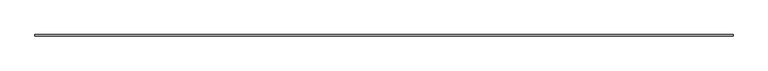
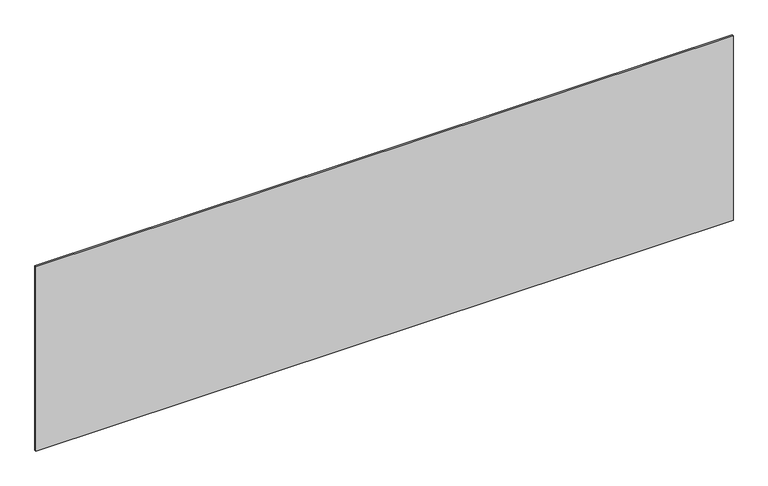
"""IFC4 building model written with IfcOpenShell, lengths in millimetres: plate geometry."""

import ifcopenshell
import ifcopenshell.guid

model = None  # the IFC model being written
_history = None  # IfcOwnerHistory: only IFC2X3 demands one
_inside = {}  # id of a spatial element -> (the spatial element, [elements in it])
_under = {}  # id of a project, library or spatial element -> (it, [spatial elements below it])
_declared = {}  # id of a project -> (the project, [libraries it declares])
_typed = {}  # id of a type object -> (the type object, [elements of that type])
_made_of = {}  # id of a material, layer set ... -> (it, [elements and type objects made of it])


def new_model(schema):
    """Start an empty IFC model of exactly this schema.

    Asked for "IFC4X3", IfcOpenShell would pick the latest addendum, in which some entities
    have other attributes; the version numbers below select the first issue.
    IFC2X3 requires an IfcOwnerHistory on every rooted entity: one is made here for all.
    """
    global model, _history
    if schema == "IFC4X3":
        model = ifcopenshell.file(schema_version=(4, 3, 0, 0))
    else:
        model = ifcopenshell.file(schema=schema)
    _inside.clear()
    _under.clear()
    _declared.clear()
    _typed.clear()
    _made_of.clear()
    _history = None
    if model.schema == "IFC2X3":
        org = make("IfcOrganization", Name="unknown")
        user = make(
            "IfcPersonAndOrganization",
            ThePerson=make("IfcPerson", FamilyName="unknown"),
            TheOrganization=org,
        )
        app = make(
            "IfcApplication",
            ApplicationDeveloper=org,
            Version="unknown",
            ApplicationFullName="unknown",
            ApplicationIdentifier="unknown",
        )
        _history = make(
            "IfcOwnerHistory",
            OwningUser=user,
            OwningApplication=app,
            ChangeAction="ADDED",
            CreationDate=0,
        )
    return model


def make(cls, **values):
    """One entity of the class cls with the attributes given. An attribute that is None is left unset."""
    return model.create_entity(
        cls, **{name: value for name, value in values.items() if value is not None}
    )


def rooted(cls, **values):
    """An entity with a GlobalId (a new one), such as an element, a storey or a relation."""
    return make(cls, GlobalId=ifcopenshell.guid.new(), OwnerHistory=_history, **values)


def si_unit(unit_type, name, prefix=None):
    """IfcSIUnit, for example si_unit("LENGTHUNIT", "METRE", prefix="MILLI")."""
    return make("IfcSIUnit", UnitType=unit_type, Prefix=prefix, Name=name)


def assignment(units):
    """IfcUnitAssignment: the units of a project."""
    return None if units is None else make("IfcUnitAssignment", Units=units)


def point(xyz):
    """IfcCartesianPoint."""
    return None if xyz is None else make("IfcCartesianPoint", Coordinates=xyz)


def direction(xyz):
    """IfcDirection."""
    return None if xyz is None else make("IfcDirection", DirectionRatios=xyz)


def frame(location, z_axis=None, x_axis=None):
    """IfcAxis2Placement3D, a coordinate frame: its origin and axes. An axis left out is left unset."""
    return make(
        "IfcAxis2Placement3D",
        Location=point(location),
        Axis=direction(z_axis),
        RefDirection=direction(x_axis),
    )


def origin():
    """The frame at (0, 0, 0) with its axes left unset."""
    return frame((0.0, 0.0, 0.0))


def origin_with_axes():
    """The frame at (0, 0, 0) with the z axis (0, 0, 1) and the x axis (1, 0, 0) written out."""
    return frame((0.0, 0.0, 0.0), z_axis=(0.0, 0.0, 1.0), x_axis=(1.0, 0.0, 0.0))


def place(relative_to, where):
    """IfcLocalPlacement: puts the frame where relative to a parent placement (None: the world)."""
    return make(
        "IfcLocalPlacement", PlacementRelTo=relative_to, RelativePlacement=where
    )


def context(
    kind, dimensions, precision=None, world=None, true_north=None, identifier=None
):
    """IfcGeometricRepresentationContext, for example the 3D "Model" context."""
    return make(
        "IfcGeometricRepresentationContext",
        ContextIdentifier=identifier,
        ContextType=kind,
        CoordinateSpaceDimension=dimensions,
        Precision=precision,
        WorldCoordinateSystem=world,
        TrueNorth=true_north,
    )


def project(units=None, contexts=None):
    """IfcProject with its units and contexts."""
    return rooted(
        "IfcProject",
        Name="project",
        RepresentationContexts=contexts,
        UnitsInContext=assignment(units),
    )


def spatial(cls, under=None, at=None, **own):
    """A site, building, storey or space (cls), placed at a placement, below another one or the project."""
    s = rooted(cls, ObjectPlacement=at, **own)
    if under is not None:
        _under.setdefault(under.id(), (under, []))[1].append(s)
    return s


def polyline(points):
    """IfcPolyline through the points."""
    return make("IfcPolyline", Points=[point(p) for p in points])


def outline(outer, holes=None, kind="AREA"):
    """IfcArbitraryClosedProfileDef: a profile drawn as a closed curve; with holes, ...WithVoids."""
    if holes is None:
        return make("IfcArbitraryClosedProfileDef", ProfileType=kind, OuterCurve=outer)
    return make(
        "IfcArbitraryProfileDefWithVoids",
        ProfileType=kind,
        OuterCurve=outer,
        InnerCurves=holes,
    )


def extrude(swept, where, along, depth):
    """IfcExtrudedAreaSolid: the profile swept, set in the frame where, extruded along a direction by depth."""
    return make(
        "IfcExtrudedAreaSolid",
        SweptArea=swept,
        Position=where,
        ExtrudedDirection=direction(along),
        Depth=depth,
    )


def shape(context_of_items, identifier, shape_type, items):
    """IfcShapeRepresentation: the items that make up one representation, for example the "Body"."""
    return make(
        "IfcShapeRepresentation",
        ContextOfItems=context_of_items,
        RepresentationIdentifier=identifier,
        RepresentationType=shape_type,
        Items=items,
    )


def source(mapping_origin, context_of_items, identifier, shape_type, items):
    """IfcRepresentationMap: a shape defined once, which mapped items show again and again."""
    return make(
        "IfcRepresentationMap",
        MappingOrigin=mapping_origin,
        MappedRepresentation=shape(context_of_items, identifier, shape_type, items),
    )


def transform(
    local_origin,
    x_axis=None,
    y_axis=None,
    z_axis=None,
    scale=None,
    scale2=None,
    scale3=None,
    uniform=True,
):
    """IfcCartesianTransformationOperator3D, or its non-uniform kind. x_axis, y_axis, z_axis: its Axis1, 2, 3."""
    if uniform:
        return make(
            "IfcCartesianTransformationOperator3D",
            Axis1=direction(x_axis),
            Axis2=direction(y_axis),
            LocalOrigin=point(local_origin),
            Scale=scale,
            Axis3=direction(z_axis),
        )
    return make(
        "IfcCartesianTransformationOperator3DnonUniform",
        Axis1=direction(x_axis),
        Axis2=direction(y_axis),
        LocalOrigin=point(local_origin),
        Scale=scale,
        Axis3=direction(z_axis),
        Scale2=scale2,
        Scale3=scale3,
    )


def mapped(mapping_source, mapping_target):
    """IfcMappedItem: shows the shape of a source again, moved by a transform."""
    return make(
        "IfcMappedItem", MappingSource=mapping_source, MappingTarget=mapping_target
    )


def made_of(thing, what):
    """Note that an element or type object is made of a material, layer set ...; save() writes the relation."""
    if what is not None:
        _made_of.setdefault(what.id(), (what, []))[1].append(thing)
    return thing


def element(
    cls,
    number,
    at=None,
    inside=None,
    cuts=None,
    type_object=None,
    material=None,
    context=None,
    identifier="Body",
    shape_type=None,
    held_by="IfcProductDefinitionShape",
    body=None,
    shapes=None,
    **own,
):
    """One element of the class cls, such as IfcWall. Its Tag is "e" and its number.

    at: its placement. inside: the storey or other place that contains it. cuts: it is an
    opening in that element (IfcRelVoidsElement). A single representation is given by context,
    identifier, shape_type and body (its items); several are given by shapes. held_by: the class
    of the entity that holds the representations. save() writes the other relations.
    """
    e = rooted(cls, Tag="e%d" % number, ObjectPlacement=at, **own)
    if body is not None:
        shapes = [shape(context, identifier, shape_type, body)]
    if shapes is not None:
        e.Representation = make(held_by, Representations=shapes)
    if inside is not None:
        _inside.setdefault(inside.id(), (inside, []))[1].append(e)
    if cuts is not None:
        rooted(
            "IfcRelVoidsElement", RelatingBuildingElement=cuts, RelatedOpeningElement=e
        )
    if type_object is not None:
        _typed.setdefault(type_object.id(), (type_object, []))[1].append(e)
    return made_of(e, material)


def aggregate(whole, parts):
    """IfcRelAggregates: a whole, such as a stair, and the parts it consists of."""
    return rooted("IfcRelAggregates", RelatingObject=whole, RelatedObjects=parts)


def save(model, path):
    """Write the relations noted so far, then the file.

    IfcRelAggregates (storeys below a building ...), IfcRelContainedInSpatialStructure (elements
    in a storey), IfcRelDefinesByType, IfcRelAssociatesMaterial and IfcRelDeclares: one each for
    every whole, place, type object, material and project.
    """
    for whole, parts in _under.values():
        aggregate(whole, parts)
    for where, things in _inside.values():
        rooted(
            "IfcRelContainedInSpatialStructure",
            RelatedElements=things,
            RelatingStructure=where,
        )
    for kind, things in _typed.values():
        rooted("IfcRelDefinesByType", RelatedObjects=things, RelatingType=kind)
    for what, things in _made_of.values():
        rooted("IfcRelAssociatesMaterial", RelatedObjects=things, RelatingMaterial=what)
    for by, libraries in _declared.values():
        rooted("IfcRelDeclares", RelatingContext=by, RelatedDefinitions=libraries)
    model.write(path)


def plate_eb713791(model_context):
    return source(origin(), model_context, "Body", "SweptSolid", [
        extrude(outline(polyline([(2264.1666667, -5.0), (-2264.1666667, -5.0), (-2264.1666667, 5.0), (2264.1666667, 5.0), (2264.1666667, -5.0)])), origin_with_axes(), (0.0, 0.0, 1.0), 1265.8860683),
    ])


if __name__ == "__main__":
    model = new_model("IFC4")
    model_context = context("Model", 3, world=origin())
    ifc_project = project(units=[si_unit("LENGTHUNIT", "METRE", prefix="MILLI")], contexts=[model_context])
    site = spatial("IfcSite", under=ifc_project)
    building = spatial("IfcBuilding", under=site)
    placement = place(None, origin())
    plate_shape = plate_eb713791(model_context)
    element("IfcPlate", 1, at=placement, inside=building, context=model_context, shape_type="MappedRepresentation", body=[
        mapped(plate_shape, transform((0.0, 0.0, 0.0), x_axis=(1.0, 0.0, 0.0), y_axis=(0.0, 1.0, 0.0), z_axis=(0.0, 0.0, 1.0))),
    ])
    save(model, "model.ifc")
